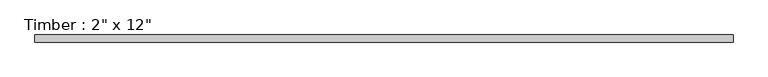
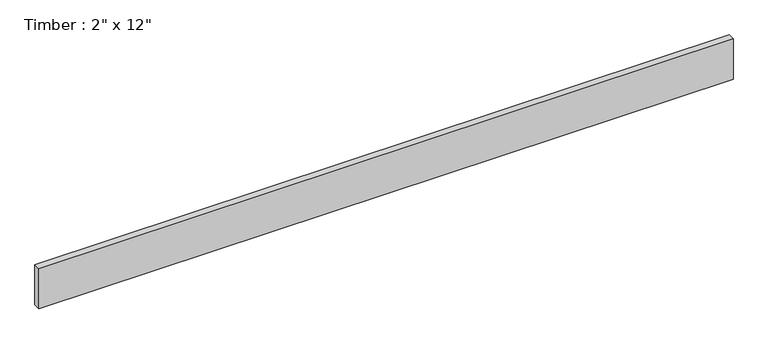
"""IFC4 building model written with IfcOpenShell, lengths in millimetres: beam geometry."""

import ifcopenshell
import ifcopenshell.guid

model = None  # the IFC model being written
_history = None  # IfcOwnerHistory: only IFC2X3 demands one
_inside = {}  # id of a spatial element -> (the spatial element, [elements in it])
_under = {}  # id of a project, library or spatial element -> (it, [spatial elements below it])
_declared = {}  # id of a project -> (the project, [libraries it declares])
_typed = {}  # id of a type object -> (the type object, [elements of that type])
_made_of = {}  # id of a material, layer set ... -> (it, [elements and type objects made of it])


def new_model(schema):
    """Start an empty IFC model of exactly this schema.

    Asked for "IFC4X3", IfcOpenShell would pick the latest addendum, in which some entities
    have other attributes; the version numbers below select the first issue.
    IFC2X3 requires an IfcOwnerHistory on every rooted entity: one is made here for all.
    """
    global model, _history
    if schema == "IFC4X3":
        model = ifcopenshell.file(schema_version=(4, 3, 0, 0))
    else:
        model = ifcopenshell.file(schema=schema)
    _inside.clear()
    _under.clear()
    _declared.clear()
    _typed.clear()
    _made_of.clear()
    _history = None
    if model.schema == "IFC2X3":
        org = make("IfcOrganization", Name="unknown")
        user = make(
            "IfcPersonAndOrganization",
            ThePerson=make("IfcPerson", FamilyName="unknown"),
            TheOrganization=org,
        )
        app = make(
            "IfcApplication",
            ApplicationDeveloper=org,
            Version="unknown",
            ApplicationFullName="unknown",
            ApplicationIdentifier="unknown",
        )
        _history = make(
            "IfcOwnerHistory",
            OwningUser=user,
            OwningApplication=app,
            ChangeAction="ADDED",
            CreationDate=0,
        )
    return model


def make(cls, **values):
    """One entity of the class cls with the attributes given. An attribute that is None is left unset."""
    return model.create_entity(
        cls, **{name: value for name, value in values.items() if value is not None}
    )


def rooted(cls, **values):
    """An entity with a GlobalId (a new one), such as an element, a storey or a relation."""
    return make(cls, GlobalId=ifcopenshell.guid.new(), OwnerHistory=_history, **values)


def si_unit(unit_type, name, prefix=None):
    """IfcSIUnit, for example si_unit("LENGTHUNIT", "METRE", prefix="MILLI")."""
    return make("IfcSIUnit", UnitType=unit_type, Prefix=prefix, Name=name)


def assignment(units):
    """IfcUnitAssignment: the units of a project."""
    return None if units is None else make("IfcUnitAssignment", Units=units)


def point(xyz):
    """IfcCartesianPoint."""
    return None if xyz is None else make("IfcCartesianPoint", Coordinates=xyz)


def direction(xyz):
    """IfcDirection."""
    return None if xyz is None else make("IfcDirection", DirectionRatios=xyz)


def frame(location, z_axis=None, x_axis=None):
    """IfcAxis2Placement3D, a coordinate frame: its origin and axes. An axis left out is left unset."""
    return make(
        "IfcAxis2Placement3D",
        Location=point(location),
        Axis=direction(z_axis),
        RefDirection=direction(x_axis),
    )


def origin():
    """The frame at (0, 0, 0) with its axes left unset."""
    return frame((0.0, 0.0, 0.0))


def place(relative_to, where):
    """IfcLocalPlacement: puts the frame where relative to a parent placement (None: the world)."""
    return make(
        "IfcLocalPlacement", PlacementRelTo=relative_to, RelativePlacement=where
    )


def context(
    kind, dimensions, precision=None, world=None, true_north=None, identifier=None
):
    """IfcGeometricRepresentationContext, for example the 3D "Model" context."""
    return make(
        "IfcGeometricRepresentationContext",
        ContextIdentifier=identifier,
        ContextType=kind,
        CoordinateSpaceDimension=dimensions,
        Precision=precision,
        WorldCoordinateSystem=world,
        TrueNorth=true_north,
    )


def project(units=None, contexts=None):
    """IfcProject with its units and contexts."""
    return rooted(
        "IfcProject",
        Name="project",
        RepresentationContexts=contexts,
        UnitsInContext=assignment(units),
    )


def spatial(cls, under=None, at=None, **own):
    """A site, building, storey or space (cls), placed at a placement, below another one or the project."""
    s = rooted(cls, ObjectPlacement=at, **own)
    if under is not None:
        _under.setdefault(under.id(), (under, []))[1].append(s)
    return s


def polyline(points):
    """IfcPolyline through the points."""
    return make("IfcPolyline", Points=[point(p) for p in points])


def outline(outer, holes=None, kind="AREA"):
    """IfcArbitraryClosedProfileDef: a profile drawn as a closed curve; with holes, ...WithVoids."""
    if holes is None:
        return make("IfcArbitraryClosedProfileDef", ProfileType=kind, OuterCurve=outer)
    return make(
        "IfcArbitraryProfileDefWithVoids",
        ProfileType=kind,
        OuterCurve=outer,
        InnerCurves=holes,
    )


def extrude(swept, where, along, depth):
    """IfcExtrudedAreaSolid: the profile swept, set in the frame where, extruded along a direction by depth."""
    return make(
        "IfcExtrudedAreaSolid",
        SweptArea=swept,
        Position=where,
        ExtrudedDirection=direction(along),
        Depth=depth,
    )


def shape(context_of_items, identifier, shape_type, items):
    """IfcShapeRepresentation: the items that make up one representation, for example the "Body"."""
    return make(
        "IfcShapeRepresentation",
        ContextOfItems=context_of_items,
        RepresentationIdentifier=identifier,
        RepresentationType=shape_type,
        Items=items,
    )


def source(mapping_origin, context_of_items, identifier, shape_type, items):
    """IfcRepresentationMap: a shape defined once, which mapped items show again and again."""
    return make(
        "IfcRepresentationMap",
        MappingOrigin=mapping_origin,
        MappedRepresentation=shape(context_of_items, identifier, shape_type, items),
    )


def transform(
    local_origin,
    x_axis=None,
    y_axis=None,
    z_axis=None,
    scale=None,
    scale2=None,
    scale3=None,
    uniform=True,
):
    """IfcCartesianTransformationOperator3D, or its non-uniform kind. x_axis, y_axis, z_axis: its Axis1, 2, 3."""
    if uniform:
        return make(
            "IfcCartesianTransformationOperator3D",
            Axis1=direction(x_axis),
            Axis2=direction(y_axis),
            LocalOrigin=point(local_origin),
            Scale=scale,
            Axis3=direction(z_axis),
        )
    return make(
        "IfcCartesianTransformationOperator3DnonUniform",
        Axis1=direction(x_axis),
        Axis2=direction(y_axis),
        LocalOrigin=point(local_origin),
        Scale=scale,
        Axis3=direction(z_axis),
        Scale2=scale2,
        Scale3=scale3,
    )


def mapped(mapping_source, mapping_target):
    """IfcMappedItem: shows the shape of a source again, moved by a transform."""
    return make(
        "IfcMappedItem", MappingSource=mapping_source, MappingTarget=mapping_target
    )


def made_of(thing, what):
    """Note that an element or type object is made of a material, layer set ...; save() writes the relation."""
    if what is not None:
        _made_of.setdefault(what.id(), (what, []))[1].append(thing)
    return thing


def element(
    cls,
    number,
    at=None,
    inside=None,
    cuts=None,
    type_object=None,
    material=None,
    context=None,
    identifier="Body",
    shape_type=None,
    held_by="IfcProductDefinitionShape",
    body=None,
    shapes=None,
    **own,
):
    """One element of the class cls, such as IfcWall. Its Tag is "e" and its number.

    at: its placement. inside: the storey or other place that contains it. cuts: it is an
    opening in that element (IfcRelVoidsElement). A single representation is given by context,
    identifier, shape_type and body (its items); several are given by shapes. held_by: the class
    of the entity that holds the representations. save() writes the other relations.
    """
    e = rooted(cls, Tag="e%d" % number, ObjectPlacement=at, **own)
    if body is not None:
        shapes = [shape(context, identifier, shape_type, body)]
    if shapes is not None:
        e.Representation = make(held_by, Representations=shapes)
    if inside is not None:
        _inside.setdefault(inside.id(), (inside, []))[1].append(e)
    if cuts is not None:
        rooted(
            "IfcRelVoidsElement", RelatingBuildingElement=cuts, RelatedOpeningElement=e
        )
    if type_object is not None:
        _typed.setdefault(type_object.id(), (type_object, []))[1].append(e)
    return made_of(e, material)


def aggregate(whole, parts):
    """IfcRelAggregates: a whole, such as a stair, and the parts it consists of."""
    return rooted("IfcRelAggregates", RelatingObject=whole, RelatedObjects=parts)


def save(model, path):
    """Write the relations noted so far, then the file.

    IfcRelAggregates (storeys below a building ...), IfcRelContainedInSpatialStructure (elements
    in a storey), IfcRelDefinesByType, IfcRelAssociatesMaterial and IfcRelDeclares: one each for
    every whole, place, type object, material and project.
    """
    for whole, parts in _under.values():
        aggregate(whole, parts)
    for where, things in _inside.values():
        rooted(
            "IfcRelContainedInSpatialStructure",
            RelatedElements=things,
            RelatingStructure=where,
        )
    for kind, things in _typed.values():
        rooted("IfcRelDefinesByType", RelatedObjects=things, RelatingType=kind)
    for what, things in _made_of.values():
        rooted("IfcRelAssociatesMaterial", RelatedObjects=things, RelatingMaterial=what)
    for by, libraries in _declared.values():
        rooted("IfcRelDeclares", RelatingContext=by, RelatedDefinitions=libraries)
    model.write(path)


def beam_dc58d5ac(model_context):
    return source(origin(), model_context, "Body", "SweptSolid", [
        extrude(outline(polyline([(2492.9672877, 25.4), (2492.9672877, -25.4), (-2492.9672877, -25.4), (-2492.9672877, 25.4), (2492.9672877, 25.4)])), frame((0.0, 0.0, -152.4), z_axis=(0.0, 0.0, 1.0), x_axis=(1.0, 0.0, 0.0)), (0.0, 0.0, 1.0), 304.8),
    ])


if __name__ == "__main__":
    model = new_model("IFC4")
    model_context = context("Model", 3, world=origin())
    ifc_project = project(units=[si_unit("LENGTHUNIT", "METRE", prefix="MILLI")], contexts=[model_context])
    site = spatial("IfcSite", under=ifc_project)
    building = spatial("IfcBuilding", under=site)
    placement = place(None, origin())
    beam_shape = beam_dc58d5ac(model_context)
    element("IfcBeam", 1, ObjectType="Timber : 2\" x 12\"", at=placement, inside=building, context=model_context, shape_type="MappedRepresentation", body=[
        mapped(beam_shape, transform((0.0, 0.0, 0.0), x_axis=(1.0, 0.0, 0.0), y_axis=(0.0, 1.0, 0.0), z_axis=(0.0, 0.0, 1.0))),
    ])
    save(model, "model.ifc")
